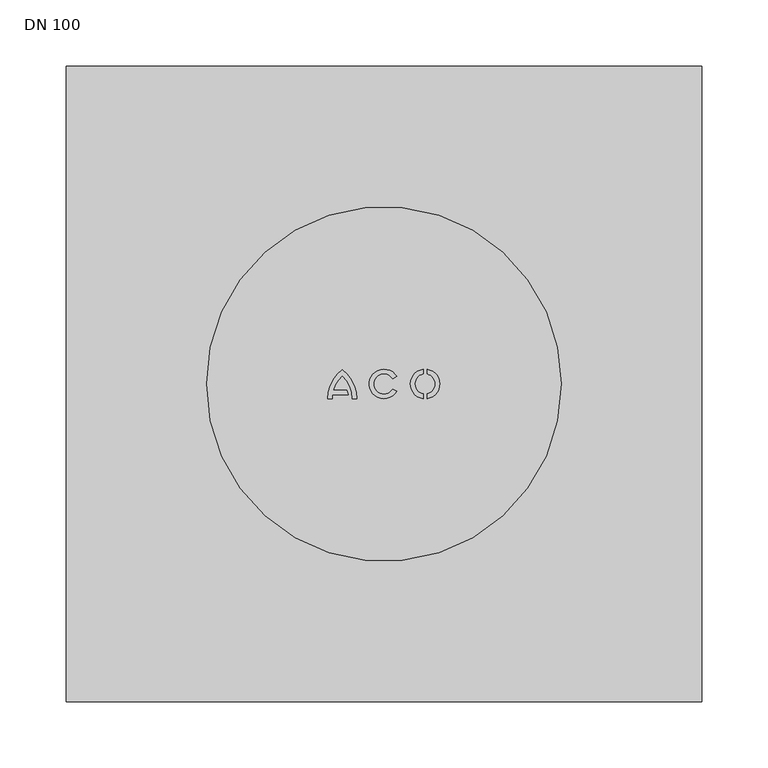
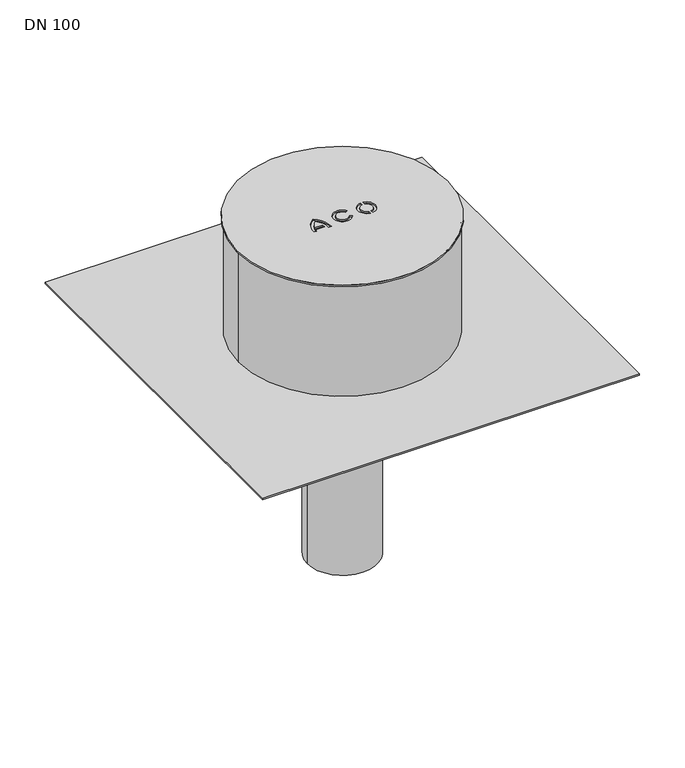
"""IFC4 building model written with IfcOpenShell, lengths in millimetres: sanitary terminal geometry, DN 100."""

from ifc_helpers import new_model, si_unit, point, frame, frame_2d, origin, origin_2d, place, context, project, spatial, polyline, circle_curve, trimmed, segment, composite_curve, outline, extrude, source, transform, mapped, element, save


def dn_100_6f7235f4(model_context):
    return source(origin(), model_context, "Body", "SweptSolid", [
        extrude(outline(composite_curve([segment(trimmed(circle_curve(origin_2d(), 132.0), [point((-132.0, 0.0))], [point((132.0, 0.0))], False, "CARTESIAN"), True, "CONTINUOUS"), segment(trimmed(circle_curve(origin_2d(), 132.0), [point((132.0, 0.0))], [point((-132.0, 0.0))], False, "CARTESIAN"), True, "CONTINUOUS")], self_intersect=False)), frame((0.0, 0.0, -151.0), z_axis=(0.0, 0.0, 1.0), x_axis=(1.0, 0.0, 0.0)), (0.0, 0.0, 1.0), 149.0),
        extrude(outline(composite_curve([segment(trimmed(circle_curve(origin_2d(), 134.0), [point((-134.0, 0.0))], [point((134.0, 0.0))], False, "CARTESIAN"), True, "CONTINUOUS"), segment(trimmed(circle_curve(origin_2d(), 134.0), [point((134.0, 0.0))], [point((-134.0, 0.0))], False, "CARTESIAN"), True, "CONTINUOUS")], self_intersect=False), holes=[composite_curve([segment(trimmed(circle_curve(frame_2d((-15.2396519, -11.3810614)), 23.92), [point((-39.159289, -11.2493146))], [point((-38.9431428, -8.17))], False, "CARTESIAN"), True, "CONTINUOUS"), segment(polyline([(-38.9431428, -8.17), (-27.1336138, -8.17), (-28.05, -4.75), (-38.2221544, -4.75)]), True, "CONTINUOUS"), segment(trimmed(circle_curve(frame_2d((-15.2396519, -11.3810614)), 23.92), [point((-38.2221544, -4.75))], [point((-31.47, 6.19))], False, "CARTESIAN"), True, "CONTINUOUS"), segment(trimmed(circle_curve(frame_2d((-47.7003481, -11.3810614)), 23.92), [point((-31.47, 6.19))], [point((-23.780711, -11.2493146))], False, "CARTESIAN"), True, "CONTINUOUS"), segment(polyline([(-23.780711, -11.2493146), (-20.360711, -11.2493146)]), True, "CONTINUOUS"), segment(trimmed(circle_curve(frame_2d((-47.7003932, -11.3811349)), 27.34), [point((-20.360711, -11.2493146))], [point((-31.47, 10.62))], True, "CARTESIAN"), True, "CONTINUOUS"), segment(trimmed(circle_curve(frame_2d((-15.2396068, -11.3811349)), 27.34), [point((-31.47, 10.62))], [point((-42.579289, -11.2493146))], True, "CARTESIAN"), True, "CONTINUOUS"), segment(polyline([(-42.579289, -11.2493146), (-39.159289, -11.2493146)]), True, "CONTINUOUS")], self_intersect=False), composite_curve([segment(polyline([(9.5709718, -5.641684), (6.6247321, -3.905)]), True, "CONTINUOUS"), segment(trimmed(circle_curve(origin_2d(), 7.69), [point((6.6247321, -3.905))], [point((6.6247321, 3.905))], False, "CARTESIAN"), True, "CONTINUOUS"), segment(polyline([(6.6247321, 3.905), (9.5709718, 5.641684)]), True, "CONTINUOUS"), segment(trimmed(circle_curve(origin_2d(), 11.11), [point((9.5709718, 5.641684))], [point((9.5709718, -5.641684))], True, "CARTESIAN"), True, "CONTINUOUS")], self_intersect=False), composite_curve([segment(polyline([(29.5251122, -11.0082742), (29.5251122, -7.5422875)]), True, "CONTINUOUS"), segment(trimmed(circle_curve(frame_2d((31.0251122, 0.0)), 7.69), [point((29.5251122, -7.5422875))], [point((29.5251122, 7.5422875))], False, "CARTESIAN"), True, "CONTINUOUS"), segment(polyline([(29.5251122, 7.5422875), (29.5251122, 11.0082742)]), True, "CONTINUOUS"), segment(trimmed(circle_curve(frame_2d((31.0251122, 0.0)), 11.11), [point((29.5251122, 11.0082742))], [point((29.5251122, -11.0082742))], True, "CARTESIAN"), True, "CONTINUOUS")], self_intersect=False), composite_curve([segment(trimmed(circle_curve(frame_2d((31.0251122, 0.0)), 7.69), [point((32.5251122, 7.5422875))], [point((32.5251122, -7.5422875))], False, "CARTESIAN"), True, "CONTINUOUS"), segment(polyline([(32.5251122, -7.5422875), (32.5251122, -11.0082742)]), True, "CONTINUOUS"), segment(trimmed(circle_curve(frame_2d((31.0251122, 0.0)), 11.11), [point((32.5251122, -11.0082742))], [point((32.5251122, 11.0082742))], True, "CARTESIAN"), True, "CONTINUOUS"), segment(polyline([(32.5251122, 11.0082742), (32.5251122, 7.5422875)]), True, "CONTINUOUS")], self_intersect=False)]), frame((0.0, 0.0, -2.0), z_axis=(0.0, 0.0, 1.0), x_axis=(1.0, 0.0, 0.0)), (0.0, 0.0, 1.0), 2.0),
        extrude(outline(composite_curve([segment(trimmed(circle_curve(origin_2d(), 44.5), [point((-44.5, 0.0))], [point((44.5, 0.0))], False, "CARTESIAN"), True, "CONTINUOUS"), segment(trimmed(circle_curve(origin_2d(), 44.5), [point((44.5, 0.0))], [point((-44.5, 0.0))], False, "CARTESIAN"), True, "CONTINUOUS")], self_intersect=False)), frame((0.0, 0.0, -453.0), z_axis=(0.0, 0.0, 1.0), x_axis=(1.0, 0.0, 0.0)), (0.0, 0.0, 1.0), 300.0),
        extrude(outline(polyline([(240.0, 240.0), (240.0, -240.0), (-240.0, -240.0), (-240.0, 240.0), (240.0, 240.0)]), holes=[composite_curve([segment(trimmed(circle_curve(origin_2d(), 44.5), [point((-44.5, 0.0))], [point((44.5, 0.0))], True, "CARTESIAN"), True, "CONTINUOUS"), segment(trimmed(circle_curve(origin_2d(), 44.5), [point((44.5, 0.0))], [point((-44.5, 0.0))], True, "CARTESIAN"), True, "CONTINUOUS")], self_intersect=False)]), frame((0.0, 0.0, -153.0), z_axis=(0.0, 0.0, 1.0), x_axis=(1.0, 0.0, 0.0)), (0.0, 0.0, 1.0), 2.0),
    ])


if __name__ == "__main__":
    model = new_model("IFC4")
    model_context = context("Model", 3, world=origin())
    ifc_project = project(units=[si_unit("LENGTHUNIT", "METRE", prefix="MILLI")], contexts=[model_context])
    site = spatial("IfcSite", under=ifc_project)
    building = spatial("IfcBuilding", under=site)
    placement = place(None, origin())
    dn_100_shape = dn_100_6f7235f4(model_context)
    element("IfcSanitaryTerminal", 1, ObjectType="DN 100", at=placement, inside=building, context=model_context, shape_type="MappedRepresentation", body=[
        mapped(dn_100_shape, transform((0.0, 0.0, 0.0), x_axis=(1.0, 0.0, 0.0), y_axis=(0.0, 1.0, 0.0), z_axis=(0.0, 0.0, 1.0))),
    ])
    save(model, "model.ifc")
